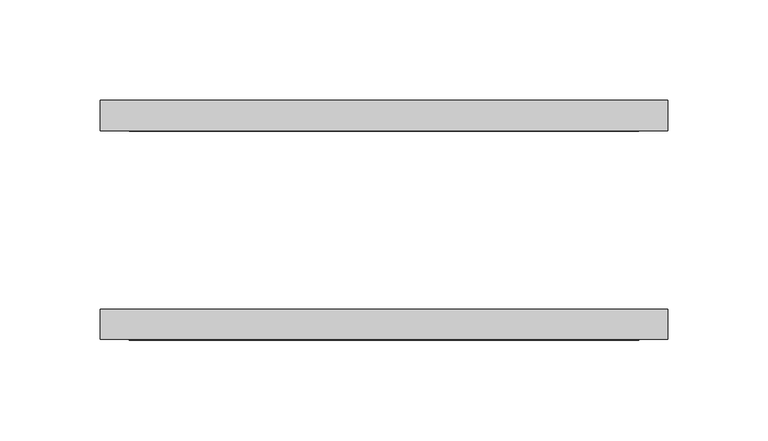
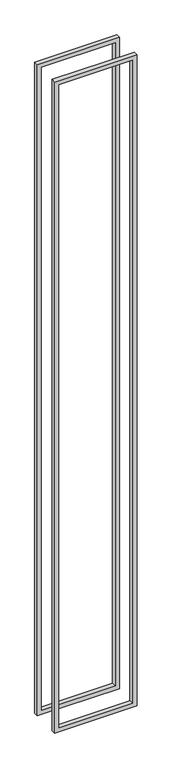
"""IFC4 building model written with IfcOpenShell, lengths in millimetres: proxy geometry."""

import ifcopenshell
import ifcopenshell.guid

model = None  # the IFC model being written
_history = None  # IfcOwnerHistory: only IFC2X3 demands one
_inside = {}  # id of a spatial element -> (the spatial element, [elements in it])
_under = {}  # id of a project, library or spatial element -> (it, [spatial elements below it])
_declared = {}  # id of a project -> (the project, [libraries it declares])
_typed = {}  # id of a type object -> (the type object, [elements of that type])
_made_of = {}  # id of a material, layer set ... -> (it, [elements and type objects made of it])


def new_model(schema):
    """Start an empty IFC model of exactly this schema.

    Asked for "IFC4X3", IfcOpenShell would pick the latest addendum, in which some entities
    have other attributes; the version numbers below select the first issue.
    IFC2X3 requires an IfcOwnerHistory on every rooted entity: one is made here for all.
    """
    global model, _history
    if schema == "IFC4X3":
        model = ifcopenshell.file(schema_version=(4, 3, 0, 0))
    else:
        model = ifcopenshell.file(schema=schema)
    _inside.clear()
    _under.clear()
    _declared.clear()
    _typed.clear()
    _made_of.clear()
    _history = None
    if model.schema == "IFC2X3":
        org = make("IfcOrganization", Name="unknown")
        user = make(
            "IfcPersonAndOrganization",
            ThePerson=make("IfcPerson", FamilyName="unknown"),
            TheOrganization=org,
        )
        app = make(
            "IfcApplication",
            ApplicationDeveloper=org,
            Version="unknown",
            ApplicationFullName="unknown",
            ApplicationIdentifier="unknown",
        )
        _history = make(
            "IfcOwnerHistory",
            OwningUser=user,
            OwningApplication=app,
            ChangeAction="ADDED",
            CreationDate=0,
        )
    return model


def make(cls, **values):
    """One entity of the class cls with the attributes given. An attribute that is None is left unset."""
    return model.create_entity(
        cls, **{name: value for name, value in values.items() if value is not None}
    )


def rooted(cls, **values):
    """An entity with a GlobalId (a new one), such as an element, a storey or a relation."""
    return make(cls, GlobalId=ifcopenshell.guid.new(), OwnerHistory=_history, **values)


def si_unit(unit_type, name, prefix=None):
    """IfcSIUnit, for example si_unit("LENGTHUNIT", "METRE", prefix="MILLI")."""
    return make("IfcSIUnit", UnitType=unit_type, Prefix=prefix, Name=name)


def assignment(units):
    """IfcUnitAssignment: the units of a project."""
    return None if units is None else make("IfcUnitAssignment", Units=units)


def point(xyz):
    """IfcCartesianPoint."""
    return None if xyz is None else make("IfcCartesianPoint", Coordinates=xyz)


def direction(xyz):
    """IfcDirection."""
    return None if xyz is None else make("IfcDirection", DirectionRatios=xyz)


def frame(location, z_axis=None, x_axis=None):
    """IfcAxis2Placement3D, a coordinate frame: its origin and axes. An axis left out is left unset."""
    return make(
        "IfcAxis2Placement3D",
        Location=point(location),
        Axis=direction(z_axis),
        RefDirection=direction(x_axis),
    )


def origin():
    """The frame at (0, 0, 0) with its axes left unset."""
    return frame((0.0, 0.0, 0.0))


def place(relative_to, where):
    """IfcLocalPlacement: puts the frame where relative to a parent placement (None: the world)."""
    return make(
        "IfcLocalPlacement", PlacementRelTo=relative_to, RelativePlacement=where
    )


def context(
    kind, dimensions, precision=None, world=None, true_north=None, identifier=None
):
    """IfcGeometricRepresentationContext, for example the 3D "Model" context."""
    return make(
        "IfcGeometricRepresentationContext",
        ContextIdentifier=identifier,
        ContextType=kind,
        CoordinateSpaceDimension=dimensions,
        Precision=precision,
        WorldCoordinateSystem=world,
        TrueNorth=true_north,
    )


def project(units=None, contexts=None):
    """IfcProject with its units and contexts."""
    return rooted(
        "IfcProject",
        Name="project",
        RepresentationContexts=contexts,
        UnitsInContext=assignment(units),
    )


def spatial(cls, under=None, at=None, **own):
    """A site, building, storey or space (cls), placed at a placement, below another one or the project."""
    s = rooted(cls, ObjectPlacement=at, **own)
    if under is not None:
        _under.setdefault(under.id(), (under, []))[1].append(s)
    return s


def polyline(points):
    """IfcPolyline through the points."""
    return make("IfcPolyline", Points=[point(p) for p in points])


def outline(outer, holes=None, kind="AREA"):
    """IfcArbitraryClosedProfileDef: a profile drawn as a closed curve; with holes, ...WithVoids."""
    if holes is None:
        return make("IfcArbitraryClosedProfileDef", ProfileType=kind, OuterCurve=outer)
    return make(
        "IfcArbitraryProfileDefWithVoids",
        ProfileType=kind,
        OuterCurve=outer,
        InnerCurves=holes,
    )


def extrude(swept, where, along, depth):
    """IfcExtrudedAreaSolid: the profile swept, set in the frame where, extruded along a direction by depth."""
    return make(
        "IfcExtrudedAreaSolid",
        SweptArea=swept,
        Position=where,
        ExtrudedDirection=direction(along),
        Depth=depth,
    )


def shape(context_of_items, identifier, shape_type, items):
    """IfcShapeRepresentation: the items that make up one representation, for example the "Body"."""
    return make(
        "IfcShapeRepresentation",
        ContextOfItems=context_of_items,
        RepresentationIdentifier=identifier,
        RepresentationType=shape_type,
        Items=items,
    )


def source(mapping_origin, context_of_items, identifier, shape_type, items):
    """IfcRepresentationMap: a shape defined once, which mapped items show again and again."""
    return make(
        "IfcRepresentationMap",
        MappingOrigin=mapping_origin,
        MappedRepresentation=shape(context_of_items, identifier, shape_type, items),
    )


def transform(
    local_origin,
    x_axis=None,
    y_axis=None,
    z_axis=None,
    scale=None,
    scale2=None,
    scale3=None,
    uniform=True,
):
    """IfcCartesianTransformationOperator3D, or its non-uniform kind. x_axis, y_axis, z_axis: its Axis1, 2, 3."""
    if uniform:
        return make(
            "IfcCartesianTransformationOperator3D",
            Axis1=direction(x_axis),
            Axis2=direction(y_axis),
            LocalOrigin=point(local_origin),
            Scale=scale,
            Axis3=direction(z_axis),
        )
    return make(
        "IfcCartesianTransformationOperator3DnonUniform",
        Axis1=direction(x_axis),
        Axis2=direction(y_axis),
        LocalOrigin=point(local_origin),
        Scale=scale,
        Axis3=direction(z_axis),
        Scale2=scale2,
        Scale3=scale3,
    )


def mapped(mapping_source, mapping_target):
    """IfcMappedItem: shows the shape of a source again, moved by a transform."""
    return make(
        "IfcMappedItem", MappingSource=mapping_source, MappingTarget=mapping_target
    )


def made_of(thing, what):
    """Note that an element or type object is made of a material, layer set ...; save() writes the relation."""
    if what is not None:
        _made_of.setdefault(what.id(), (what, []))[1].append(thing)
    return thing


def element(
    cls,
    number,
    at=None,
    inside=None,
    cuts=None,
    type_object=None,
    material=None,
    context=None,
    identifier="Body",
    shape_type=None,
    held_by="IfcProductDefinitionShape",
    body=None,
    shapes=None,
    **own,
):
    """One element of the class cls, such as IfcWall. Its Tag is "e" and its number.

    at: its placement. inside: the storey or other place that contains it. cuts: it is an
    opening in that element (IfcRelVoidsElement). A single representation is given by context,
    identifier, shape_type and body (its items); several are given by shapes. held_by: the class
    of the entity that holds the representations. save() writes the other relations.
    """
    e = rooted(cls, Tag="e%d" % number, ObjectPlacement=at, **own)
    if body is not None:
        shapes = [shape(context, identifier, shape_type, body)]
    if shapes is not None:
        e.Representation = make(held_by, Representations=shapes)
    if inside is not None:
        _inside.setdefault(inside.id(), (inside, []))[1].append(e)
    if cuts is not None:
        rooted(
            "IfcRelVoidsElement", RelatingBuildingElement=cuts, RelatedOpeningElement=e
        )
    if type_object is not None:
        _typed.setdefault(type_object.id(), (type_object, []))[1].append(e)
    return made_of(e, material)


def aggregate(whole, parts):
    """IfcRelAggregates: a whole, such as a stair, and the parts it consists of."""
    return rooted("IfcRelAggregates", RelatingObject=whole, RelatedObjects=parts)


def save(model, path):
    """Write the relations noted so far, then the file.

    IfcRelAggregates (storeys below a building ...), IfcRelContainedInSpatialStructure (elements
    in a storey), IfcRelDefinesByType, IfcRelAssociatesMaterial and IfcRelDeclares: one each for
    every whole, place, type object, material and project.
    """
    for whole, parts in _under.values():
        aggregate(whole, parts)
    for where, things in _inside.values():
        rooted(
            "IfcRelContainedInSpatialStructure",
            RelatedElements=things,
            RelatingStructure=where,
        )
    for kind, things in _typed.values():
        rooted("IfcRelDefinesByType", RelatedObjects=things, RelatingType=kind)
    for what, things in _made_of.values():
        rooted("IfcRelAssociatesMaterial", RelatedObjects=things, RelatingMaterial=what)
    for by, libraries in _declared.values():
        rooted("IfcRelDeclares", RelatingContext=by, RelatedDefinitions=libraries)
    model.write(path)


def generic_models_7c4de281(model_context):
    return source(origin(), model_context, "Body", "SweptSolid", [
        extrude(outline(polyline([(2392.3625, -649.2875), (26.9875, -649.2875), (26.9875, -366.7125), (2392.3625, -366.7125), (2392.3625, -649.2875)]), holes=[polyline([(2378.075, -381.0), (41.275, -381.0), (41.275, -635.0), (2378.075, -635.0), (2378.075, -381.0)])]), frame((0.0, -59.53125, 0.0), z_axis=(0.0, 1.0, 0.0), x_axis=(0.0, 0.0, 1.0)), (0.0, 0.0, 1.0), 15.08125),
        extrude(outline(polyline([(26.9875, -366.7125), (2392.3625, -366.7125), (2392.3625, -649.2875), (26.9875, -649.2875), (26.9875, -366.7125)]), holes=[polyline([(41.275, -635.0), (2378.075, -635.0), (2378.075, -381.0), (41.275, -381.0), (41.275, -635.0)])]), frame((0.0, 44.45, 0.0), z_axis=(0.0, 1.0, 0.0), x_axis=(0.0, 0.0, 1.0)), (0.0, 0.0, 1.0), 15.08125),
    ])


if __name__ == "__main__":
    model = new_model("IFC4")
    model_context = context("Model", 3, world=origin())
    ifc_project = project(units=[si_unit("LENGTHUNIT", "METRE", prefix="MILLI")], contexts=[model_context])
    site = spatial("IfcSite", under=ifc_project)
    building = spatial("IfcBuilding", under=site)
    placement = place(None, origin())
    generic_models_shape = generic_models_7c4de281(model_context)
    element("IfcBuildingElementProxy", 1, Name="Generic Models", at=placement, inside=building, context=model_context, shape_type="MappedRepresentation", body=[
        mapped(generic_models_shape, transform((0.0, 0.0, 0.0), x_axis=(1.0, 0.0, 0.0), y_axis=(0.0, 1.0, 0.0), z_axis=(0.0, 0.0, 1.0))),
    ])
    save(model, "model.ifc")
